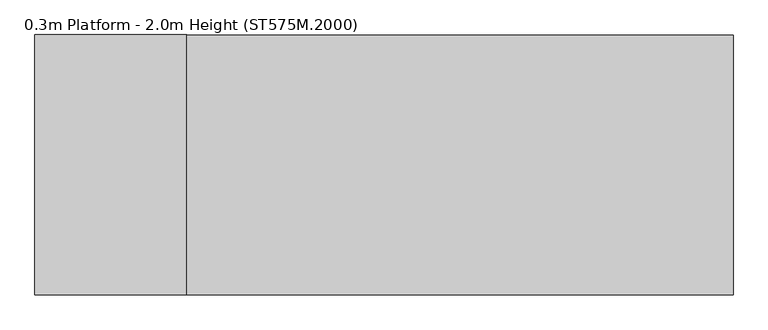
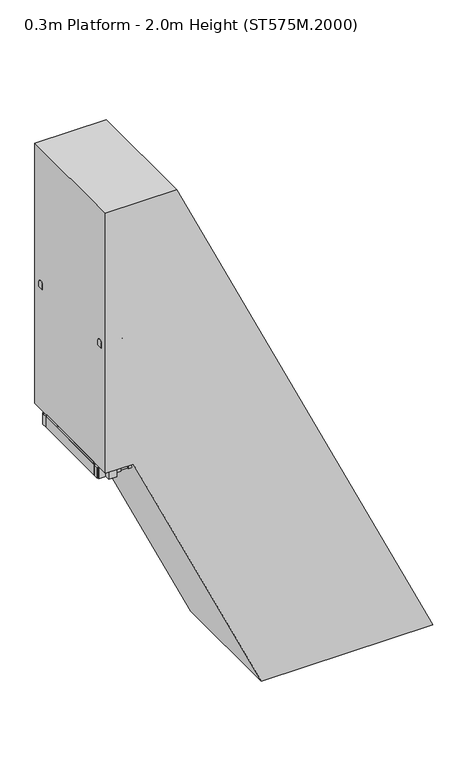
"""IFC4 building model written with IfcOpenShell, lengths in millimetres: proxy geometry, 0.3m Platform - 2.0m Height (ST575M.2000)."""

from ifc_helpers import new_model, si_unit, point, frame, frame_2d, origin, origin_with_axes, place, context, project, spatial, polyline, circle_curve, ellipse_curve, trimmed, segment, composite_curve, outline, extrude, source, transform, mapped, element, save
from ifc_brep_helpers import plane_surface, cylinder_surface, advanced_brep


def proxy_0_3m_platform_2_0m_height_st575m_2000_edd67667(model_context):
    return source(origin(), model_context, "Body", "SolidModel", [
        extrude(outline(polyline([(1750.0, 12.5766992), (1670.0, 49.8813068), (1670.0, 160.2191039), (1750.0, 122.9144913), (1750.0, 12.5766992)])), frame((0.0, 298.5, 0.0), z_axis=(0.0, 1.0, 0.0), x_axis=(0.0, 0.0, 1.0)), (0.0, 0.0, 1.0), 6.0),
        extrude(outline(polyline([(1750.0, 12.5766992), (1670.0, 49.8813068), (1670.0, 160.2191039), (1750.0, 122.9144913), (1750.0, 12.5766992)])), frame((0.0, -304.5, 0.0), z_axis=(0.0, 1.0, 0.0), x_axis=(0.0, 0.0, 1.0)), (0.0, 0.0, 1.0), 6.0),
        extrude(outline(polyline([(1750.0, 19.7486555), (1712.0999991, 37.4217138), (1712.0999991, 39.6284696), (1747.0, 23.3543341), (1747.0, 122.1066584), (1712.0999991, 138.3807961), (1712.0999991, 140.5875519), (1750.0, 122.9144913), (1750.0, 102.4867501), (1749.2749538, 102.1486555), (1750.0, 101.810561), (1750.0, 81.8867501), (1749.2749538, 81.5486555), (1750.0, 81.210561), (1750.0, 61.2867501), (1749.2749538, 60.9486555), (1750.0, 60.610561), (1750.0, 40.6867501), (1749.2749538, 40.3486555), (1750.0, 40.010561), (1750.0, 19.7486555)])), frame((0.0, -298.5, 0.0), z_axis=(0.0, 1.0, 0.0), x_axis=(0.0, 0.0, 1.0)), (0.0, 0.0, 1.0), 597.0),
        extrude(outline(polyline([(1500.0, 129.1581867), (1420.0, 166.4627943), (1420.0, 276.8005913), (1500.0, 239.4959787), (1500.0, 129.1581867)])), frame((0.0, 298.5, 0.0), z_axis=(0.0, 1.0, 0.0), x_axis=(0.0, 0.0, 1.0)), (0.0, 0.0, 1.0), 6.0),
        extrude(outline(polyline([(1500.0, 129.1581867), (1420.0, 166.4627943), (1420.0, 276.8005913), (1500.0, 239.4959787), (1500.0, 129.1581867)])), frame((0.0, -304.5, 0.0), z_axis=(0.0, 1.0, 0.0), x_axis=(0.0, 0.0, 1.0)), (0.0, 0.0, 1.0), 6.0),
        extrude(outline(polyline([(1500.0, 136.330143), (1462.0999991, 154.0032012), (1462.0999991, 156.209957), (1497.0, 139.9358215), (1497.0, 238.6881458), (1462.0999991, 254.9622835), (1462.0999991, 257.1690393), (1500.0, 239.4959787), (1500.0, 219.0682375), (1499.2749538, 218.730143), (1500.0, 218.3920484), (1500.0, 198.4682375), (1499.2749538, 198.130143), (1500.0, 197.7920484), (1500.0, 177.8682375), (1499.2749538, 177.530143), (1500.0, 177.1920484), (1500.0, 157.2682375), (1499.2749538, 156.930143), (1500.0, 156.5920484), (1500.0, 136.330143)])), frame((0.0, -298.5, 0.0), z_axis=(0.0, 1.0, 0.0), x_axis=(0.0, 0.0, 1.0)), (0.0, 0.0, 1.0), 597.0),
        extrude(outline(polyline([(1250.0, 245.7396741), (1170.0, 283.0442817), (1170.0, 393.3820788), (1250.0, 356.0774661), (1250.0, 245.7396741)])), frame((0.0, 298.5, 0.0), z_axis=(0.0, 1.0, 0.0), x_axis=(0.0, 0.0, 1.0)), (0.0, 0.0, 1.0), 6.0),
        extrude(outline(polyline([(1250.0, 245.7396741), (1170.0, 283.0442817), (1170.0, 393.3820788), (1250.0, 356.0774661), (1250.0, 245.7396741)])), frame((0.0, -304.5, 0.0), z_axis=(0.0, 1.0, 0.0), x_axis=(0.0, 0.0, 1.0)), (0.0, 0.0, 1.0), 6.0),
        extrude(outline(polyline([(1250.0, 252.9116304), (1212.0999991, 270.5846886), (1212.0999991, 272.7914444), (1247.0, 256.517309), (1247.0, 355.2696333), (1212.0999991, 371.5437709), (1212.0999991, 373.7505268), (1250.0, 356.0774661), (1250.0, 335.649725), (1249.2749538, 335.3116304), (1250.0, 334.9735358), (1250.0, 315.049725), (1249.2749538, 314.7116304), (1250.0, 314.3735358), (1250.0, 294.449725), (1249.2749538, 294.1116304), (1250.0, 293.7735358), (1250.0, 273.849725), (1249.2749538, 273.5116304), (1250.0, 273.1735358), (1250.0, 252.9116304)])), frame((0.0, -298.5, 0.0), z_axis=(0.0, 1.0, 0.0), x_axis=(0.0, 0.0, 1.0)), (0.0, 0.0, 1.0), 597.0),
        extrude(outline(polyline([(1000.0, 362.3211615), (920.0, 399.6257691), (920.0, 509.9635662), (1000.0, 472.6589535), (1000.0, 362.3211615)])), frame((0.0, 298.5, 0.0), z_axis=(0.0, 1.0, 0.0), x_axis=(0.0, 0.0, 1.0)), (0.0, 0.0, 1.0), 6.0),
        extrude(outline(polyline([(1000.0, 362.3211615), (920.0, 399.6257691), (920.0, 509.9635662), (1000.0, 472.6589535), (1000.0, 362.3211615)])), frame((0.0, -304.5, 0.0), z_axis=(0.0, 1.0, 0.0), x_axis=(0.0, 0.0, 1.0)), (0.0, 0.0, 1.0), 6.0),
        extrude(outline(polyline([(1000.0, 369.4931178), (962.0999991, 387.1661761), (962.0999991, 389.3729319), (997.0, 373.0987964), (997.0, 471.8511207), (962.0999991, 488.1252584), (962.0999991, 490.3320142), (1000.0, 472.6589535), (1000.0, 452.2312124), (999.2749538, 451.8931178), (1000.0, 451.5550233), (1000.0, 431.6312124), (999.2749538, 431.2931178), (1000.0, 430.9550233), (1000.0, 411.0312124), (999.2749538, 410.6931178), (1000.0, 410.3550233), (1000.0, 390.4312124), (999.2749538, 390.0931178), (1000.0, 389.7550233), (1000.0, 369.4931178)])), frame((0.0, -298.5, 0.0), z_axis=(0.0, 1.0, 0.0), x_axis=(0.0, 0.0, 1.0)), (0.0, 0.0, 1.0), 597.0),
        extrude(outline(polyline([(750.0, 478.902649), (670.0, 516.2072566), (670.0, 626.5450536), (750.0, 589.240441), (750.0, 478.902649)])), frame((0.0, 298.5, 0.0), z_axis=(0.0, 1.0, 0.0), x_axis=(0.0, 0.0, 1.0)), (0.0, 0.0, 1.0), 6.0),
        extrude(outline(polyline([(750.0, 478.902649), (670.0, 516.2072566), (670.0, 626.5450536), (750.0, 589.240441), (750.0, 478.902649)])), frame((0.0, -304.5, 0.0), z_axis=(0.0, 1.0, 0.0), x_axis=(0.0, 0.0, 1.0)), (0.0, 0.0, 1.0), 6.0),
        extrude(outline(polyline([(750.0, 486.0746053), (712.0999991, 503.7476635), (712.0999991, 505.9544193), (747.0, 489.6802838), (747.0, 588.4326081), (712.0999991, 604.7067458), (712.0999991, 606.9135016), (750.0, 589.240441), (750.0, 568.8126998), (749.2749538, 568.4746053), (750.0, 568.1365107), (750.0, 548.2126998), (749.2749538, 547.8746053), (750.0, 547.5365107), (750.0, 527.6126998), (749.2749538, 527.2746053), (750.0, 526.9365107), (750.0, 507.0126998), (749.2749538, 506.6746053), (750.0, 506.3365107), (750.0, 486.0746053)])), frame((0.0, -298.5, 0.0), z_axis=(0.0, 1.0, 0.0), x_axis=(0.0, 0.0, 1.0)), (0.0, 0.0, 1.0), 597.0),
        extrude(outline(polyline([(500.0, 595.4841364), (420.0, 632.788744), (420.0, 743.1265411), (500.0, 705.8219284), (500.0, 595.4841364)])), frame((0.0, 298.5, 0.0), z_axis=(0.0, 1.0, 0.0), x_axis=(0.0, 0.0, 1.0)), (0.0, 0.0, 1.0), 6.0),
        extrude(outline(polyline([(500.0, 595.4841364), (420.0, 632.788744), (420.0, 743.1265411), (500.0, 705.8219284), (500.0, 595.4841364)])), frame((0.0, -304.5, 0.0), z_axis=(0.0, 1.0, 0.0), x_axis=(0.0, 0.0, 1.0)), (0.0, 0.0, 1.0), 6.0),
        extrude(outline(polyline([(500.0, 602.6560927), (462.0999991, 620.3291509), (462.0999991, 622.5359067), (497.0, 606.2617713), (497.0, 705.0140955), (462.0999991, 721.2882332), (462.0999991, 723.494989), (500.0, 705.8219284), (500.0, 685.3941873), (499.2749538, 685.0560927), (500.0, 684.7179981), (500.0, 664.7941873), (499.2749538, 664.4560927), (500.0, 664.1179981), (500.0, 644.1941873), (499.2749538, 643.8560927), (500.0, 643.5179981), (500.0, 623.5941873), (499.2749538, 623.2560927), (500.0, 622.9179981), (500.0, 602.6560927)])), frame((0.0, -298.5, 0.0), z_axis=(0.0, 1.0, 0.0), x_axis=(0.0, 0.0, 1.0)), (0.0, 0.0, 1.0), 597.0),
        extrude(outline(polyline([(-0.0541093, 0.0), (0.7582532, 5.9447512), (185.4590013, 5.9447512), (254.8144324, -3.5328109), (254.0020699, -9.4775622), (184.6466388, 0.0), (-0.0541093, 0.0)])), frame((630.049517, 375.0, 1079.9787499), z_axis=(-0.4226302122585401, 0.0, 0.9063022143227399), x_axis=(-0.8979568675708092, -0.1353937453578063, -0.41873857918802476)), (0.0, 0.0, 1.0), 80.0),
        extrude(outline(polyline([(-0.0541093, 0.0), (0.7582532, 5.9447512), (185.4590013, 5.9447512), (254.8144324, -3.5328109), (254.0020699, -9.4775622), (184.6466388, 0.0), (-0.0541093, 0.0)])), frame((268.817945, 375.0, 1854.6156879), z_axis=(-0.4226302122585401, 0.0, 0.9063022143227399), x_axis=(-0.8979568675708092, -0.1353937453578063, -0.41873857918802476)), (0.0, 0.0, 1.0), 80.0),
        extrude(outline(polyline([(0.0, 32.0), (2.9999999, 32.0), (2.9999999, 0.0), (0.0, 0.0), (0.0, 32.0)])), frame((645.4959178, 388.0, 1054.0802317), z_axis=(-0.42263021225854003, 0.0, 0.9063022143227398), x_axis=(-0.9063022143227398, 0.0, -0.42263021225854003)), (0.0, 0.0, 1.0), 140.0),
        extrude(outline(polyline([(0.0, 32.0), (2.9999999, 32.0), (2.9999999, 0.0), (0.0, 0.0), (0.0, 32.0)])), frame((284.2643458, 388.0, 1828.7171697), z_axis=(-0.42263021225854003, 0.0, 0.9063022143227398), x_axis=(-0.9063022143227398, 0.0, -0.42263021225854003)), (0.0, 0.0, 1.0), 140.0),
        extrude(outline(composite_curve([segment(trimmed(circle_curve(frame_2d((0.0, 14.1894039)), 22.4521533), [point((-17.4, 0.0))], [point((17.4, 0.0))], False, "CARTESIAN"), True, "CONTINUOUS"), segment(polyline([(17.4, 0.0), (-17.4, 0.0)]), True, "CONTINUOUS")], self_intersect=False)), frame((717.3430539, 372.0, 900.0088553), z_axis=(-0.42263021225854003, 0.0, 0.9063022143227398), x_axis=(0.0, -1.0, 0.0)), (0.0, 0.0, 1.0), 2184.7225481),
        extrude(outline(polyline([(-0.0541093, 0.0), (184.6466389, 0.0), (254.0020699, 9.4775622), (254.8144324, 3.5328109), (185.4590014, -5.9447512), (0.7582532, -5.9447512), (-0.0541093, 0.0)])), frame((630.0484158, -375.0, 1079.9811116), z_axis=(-0.4226302122585401, 0.0, 0.9063022143227399), x_axis=(-0.8979568675708092, 0.1353937453578063, -0.41873857918802476)), (0.0, 0.0, 1.0), 80.0),
        extrude(outline(polyline([(-0.0541093, 0.0), (184.6466388, 0.0), (254.0020699, 9.4775622), (254.8144324, 3.5328109), (185.4590013, -5.9447512), (0.7582532, -5.9447512), (-0.0541093, 0.0)])), frame((268.8168438, -375.0, 1854.6180497), z_axis=(-0.4226302122585401, 0.0, 0.9063022143227399), x_axis=(-0.8979568675708092, 0.1353937453578063, -0.41873857918802476)), (0.0, 0.0, 1.0), 80.0),
        extrude(outline(polyline([(0.0, -32.0), (0.0, 0.0), (3.0, 0.0), (3.0, -32.0), (0.0, -32.0)])), frame((645.4948166, -388.0, 1054.0825935), z_axis=(-0.42263021225854003, 0.0, 0.9063022143227398), x_axis=(-0.9063022143227398, 0.0, -0.42263021225854003)), (0.0, 0.0, 1.0), 140.0),
        extrude(outline(polyline([(0.0, -32.0), (0.0, 0.0), (2.9999999, 0.0), (2.9999999, -32.0), (0.0, -32.0)])), frame((284.2632446, -388.0, 1828.7195315), z_axis=(-0.42263021225854003, 0.0, 0.9063022143227398), x_axis=(-0.9063022143227398, 0.0, -0.42263021225854003)), (0.0, 0.0, 1.0), 140.0),
        extrude(outline(composite_curve([segment(polyline([(-17.4, 0.0), (17.4, 0.0)]), True, "CONTINUOUS"), segment(trimmed(circle_curve(frame_2d((0.0, -14.1894039)), 22.4521533), [point((17.4, 0.0))], [point((-17.4, 0.0))], False, "CARTESIAN"), True, "CONTINUOUS")], self_intersect=False)), frame((717.3419527, -372.0, 900.0112171), z_axis=(-0.42263021225854003, 0.0, 0.9063022143227398), x_axis=(0.0, 1.0, 0.0)), (0.0, 0.0, 1.0), 2184.7225481),
        extrude(outline(polyline([(2000.0, -104.0047882), (1920.0, -66.7001806), (1920.0, 43.6376165), (2000.0, 6.3330038), (2000.0, -104.0047882)])), frame((0.0, 298.5, 0.0), z_axis=(0.0, 1.0, 0.0), x_axis=(0.0, 0.0, 1.0)), (0.0, 0.0, 1.0), 6.0),
        extrude(outline(polyline([(2000.0, -104.0047882), (1920.0, -66.7001806), (1920.0, 43.6376165), (2000.0, 6.3330038), (2000.0, -104.0047882)])), frame((0.0, -304.5, 0.0), z_axis=(0.0, 1.0, 0.0), x_axis=(0.0, 0.0, 1.0)), (0.0, 0.0, 1.0), 6.0),
        extrude(outline(polyline([(2000.0, -96.8328319), (1962.0999991, -79.1597736), (1962.0999991, -76.9530179), (1997.0, -93.2271533), (1997.0, 5.525171), (1962.0999991, 21.7993086), (1962.0999991, 24.0060645), (2000.0, 6.3330038), (2000.0, -14.0947373), (1999.2749538, -14.4328319), (2000.0, -14.7709265), (2000.0, -34.6947373), (1999.2749538, -35.0328319), (2000.0, -35.3709265), (2000.0, -55.2947373), (1999.2749538, -55.6328319), (2000.0, -55.9709265), (2000.0, -75.8947373), (1999.2749538, -76.2328319), (2000.0, -76.5709265), (2000.0, -96.8328319)])), frame((0.0, -298.5, 0.0), z_axis=(0.0, 1.0, 0.0), x_axis=(0.0, 0.0, 1.0)), (0.0, 0.0, 1.0), 597.0),
        extrude(outline(polyline([(250.0, 712.0656238), (170.0, 749.3702314), (170.0, 859.7080285), (250.0, 822.4034158), (250.0, 712.0656238)])), frame((0.0, 298.5, 0.0), z_axis=(0.0, 1.0, 0.0), x_axis=(0.0, 0.0, 1.0)), (0.0, 0.0, 1.0), 6.0),
        extrude(outline(polyline([(250.0, 712.0656238), (170.0, 749.3702314), (170.0, 859.7080285), (250.0, 822.4034158), (250.0, 712.0656238)])), frame((0.0, -304.5, 0.0), z_axis=(0.0, 1.0, 0.0), x_axis=(0.0, 0.0, 1.0)), (0.0, 0.0, 1.0), 6.0),
        extrude(outline(polyline([(250.0, 719.2375801), (212.0999991, 736.9106384), (212.0999991, 739.1173941), (247.0, 722.8432587), (247.0, 821.595583), (212.0999991, 837.8697206), (212.0999991, 840.0764765), (250.0, 822.4034158), (250.0, 801.9756747), (249.2749538, 801.6375801), (250.0, 801.2994855), (250.0, 781.3756747), (249.2749538, 781.0375801), (250.0, 780.6994855), (250.0, 760.7756747), (249.2749538, 760.4375801), (250.0, 760.0994855), (250.0, 740.1756747), (249.2749538, 739.8375801), (250.0, 739.4994855), (250.0, 719.2375801)])), frame((0.0, -298.5, 0.0), z_axis=(0.0, 1.0, 0.0), x_axis=(0.0, 0.0, 1.0)), (0.0, 0.0, 1.0), 597.0),
        extrude(outline(polyline([(-108.8328319, -304.5), (-146.8328319, -304.5), (-146.8328319, 304.5), (-108.8328319, 304.5), (-108.8328319, -304.5)])), frame((0.0, 0.0, 1923.0), z_axis=(0.0, 0.0, 1.0), x_axis=(1.0, 0.0, 0.0)), (0.0, 0.0, 1.0), 58.0),
        advanced_brep(
        [(-256.8328319, 372.0, 2942.0), (-256.8328319, 372.0, 2987.0), (-244.1016939, 372.0, 2942.0), (-215.4337404, 372.0, 2987.0), (-213.5569732, 372.0, 2876.4977609), (-172.773248, 372.0, 2895.5158512)],
        [
            (0, 1, circle_curve(frame((-256.8328319, 372.0, 2964.5), z_axis=(-1.0, 0.0, 0.0), x_axis=(0.0, 0.0, 1.0)), 22.5)),
            (1, 0, circle_curve(frame((-256.8328319, 372.0, 2964.5), z_axis=(-1.0, 0.0, 0.0), x_axis=(0.0, 0.0, 1.0)), 22.5)),
            (0, 2),
            (2, 3, ellipse_curve(frame((-229.7677171, 372.0, 2964.5), z_axis=(-0.8433932143582841, 0.0, 0.5372968322765371), x_axis=(-0.5372968322765376, 0.0, -0.8433932143582841)), 26.6779476, 22.5)),
            (3, 1),
            (3, 2, ellipse_curve(frame((-229.7677171, 372.0, 2964.5), z_axis=(-0.8433932143582841, 0.0, 0.5372968322765371), x_axis=(-0.5372968322765376, 0.0, -0.8433932143582841)), 26.6779476, 22.5)),
            (4, 5, circle_curve(frame((-193.1651106, 372.0, 2886.0068061), z_axis=(0.42262422805119737, 0.0, -0.9063050048764653), x_axis=(0.9063050048764653, 0.0, 0.42262422805119737)), 22.5)),
            (5, 4, circle_curve(frame((-193.1651106, 372.0, 2886.0068061), z_axis=(0.42262422805119737, 0.0, -0.9063050048764653), x_axis=(0.9063050048764653, 0.0, 0.42262422805119737)), 22.5)),
            (2, 4),
            (5, 3),
        ],
        [
            plane_surface(frame((-256.8328319, 0.0, 2987.0), z_axis=(-1.0, 0.0, 0.0), x_axis=(0.0, -1.0, 0.0))),
            cylinder_surface(frame((-256.8328319, 372.0, 2964.5), z_axis=(-1.0, 0.0, 0.0), x_axis=(0.0, 0.0, 1.0)), 22.5),
            plane_surface(frame((-172.773248, 0.0, 2895.5158512), z_axis=(0.42262422805119737, 0.0, -0.9063050048764651), x_axis=(0.0, -1.0, 0.0))),
            cylinder_surface(frame((-235.825603, 372.0, 2977.4909549), z_axis=(-0.42262422805119737, 0.0, 0.9063050048764653), x_axis=(0.9063050048764653, 0.0, 0.42262422805119737)), 22.5),
        ],
        [
            (0, [[1, 2]]),
            (1, [[-1, 3, 4, 5]]),
            (1, [[-2, -5, 6, -3]]),
            (2, [[7, 8]]),
            (3, [[-4, 9, -8, 10]]),
            (3, [[-6, -10, -7, -9]]),
        ],
    ),
        advanced_brep(
        [(-256.8328319, -372.0, 2942.0), (-256.8328319, -372.0, 2987.0), (-244.1016939, -372.0, 2942.0), (-215.4337404, -372.0, 2987.0), (-213.5569732, -372.0, 2876.4977609), (-172.773248, -372.0, 2895.5158512)],
        [
            (0, 1, circle_curve(frame((-256.8328319, -372.0, 2964.5), z_axis=(-1.0, 0.0, 0.0), x_axis=(0.0, 0.0, 1.0)), 22.5)),
            (1, 0, circle_curve(frame((-256.8328319, -372.0, 2964.5), z_axis=(-1.0, 0.0, 0.0), x_axis=(0.0, 0.0, 1.0)), 22.5)),
            (0, 2),
            (2, 3, ellipse_curve(frame((-229.7677171, -372.0, 2964.5), z_axis=(-0.8433932143582841, 0.0, 0.5372968322765371), x_axis=(-0.5372968322765376, 0.0, -0.8433932143582841)), 26.6779476, 22.5)),
            (3, 1),
            (3, 2, ellipse_curve(frame((-229.7677171, -372.0, 2964.5), z_axis=(-0.8433932143582841, 0.0, 0.5372968322765371), x_axis=(-0.5372968322765376, 0.0, -0.8433932143582841)), 26.6779476, 22.5)),
            (4, 5, circle_curve(frame((-193.1651106, -372.0, 2886.0068061), z_axis=(0.42262422805119737, 0.0, -0.9063050048764653), x_axis=(0.9063050048764653, 0.0, 0.42262422805119737)), 22.5)),
            (5, 4, circle_curve(frame((-193.1651106, -372.0, 2886.0068061), z_axis=(0.42262422805119737, 0.0, -0.9063050048764653), x_axis=(0.9063050048764653, 0.0, 0.42262422805119737)), 22.5)),
            (2, 4),
            (5, 3),
        ],
        [
            plane_surface(frame((-256.8328319, 0.0, 2987.0), z_axis=(-1.0, 0.0, 0.0), x_axis=(0.0, -1.0, 0.0))),
            cylinder_surface(frame((-256.8328319, -372.0, 2964.5), z_axis=(-1.0, 0.0, 0.0), x_axis=(0.0, 0.0, 1.0)), 22.5),
            plane_surface(frame((-172.773248, 0.0, 2895.5158512), z_axis=(0.42262422805119737, 0.0, -0.9063050048764651), x_axis=(0.0, -1.0, 0.0))),
            cylinder_surface(frame((-235.825603, -372.0, 2977.4909549), z_axis=(-0.42262422805119737, 0.0, 0.9063050048764653), x_axis=(0.9063050048764653, 0.0, 0.42262422805119737)), 22.5),
        ],
        [
            (0, [[1, 2]]),
            (1, [[-1, 3, 4, 5]]),
            (1, [[-2, -5, 6, -3]]),
            (2, [[7, 8]]),
            (3, [[-4, 9, -8, 10]]),
            (3, [[-6, -10, -7, -9]]),
        ],
    ),
        extrude(outline(polyline([(-390.8328319, -304.5), (-396.8328319, -304.5), (-396.8328319, 304.5), (-390.8328319, 304.5), (-390.8328319, -304.5)])), frame((0.0, 0.0, 1901.0), z_axis=(0.0, 0.0, 1.0), x_axis=(1.0, 0.0, 0.0)), (0.0, 0.0, 1.0), 80.0),
        extrude(outline(composite_curve([segment(polyline([(349.5, 2930.0), (349.5, 2964.5)]), True, "CONTINUOUS"), segment(trimmed(circle_curve(frame_2d((372.0, 2964.5)), 22.5), [point((349.5, 2964.5))], [point((394.5, 2964.5))], False, "CARTESIAN"), True, "CONTINUOUS"), segment(polyline([(394.5, 2964.5), (394.5, 2930.0), (349.5, 2930.0)]), True, "CONTINUOUS")], self_intersect=False)), frame((-396.8328319, 0.0, 0.0), z_axis=(1.0, 0.0, 0.0), x_axis=(0.0, 1.0, 0.0)), (0.0, 0.0, 1.0), 140.0),
        extrude(outline(composite_curve([segment(polyline([(-349.5, 2930.0), (-394.5, 2930.0), (-394.5, 2964.5)]), True, "CONTINUOUS"), segment(trimmed(circle_curve(frame_2d((-372.0, 2964.5)), 22.5), [point((-394.5, 2964.5))], [point((-349.5, 2964.5))], False, "CARTESIAN"), True, "CONTINUOUS"), segment(polyline([(-349.5, 2964.5), (-349.5, 2930.0)]), True, "CONTINUOUS")], self_intersect=False)), frame((-396.8328319, 0.0, 0.0), z_axis=(1.0, 0.0, 0.0), x_axis=(0.0, 1.0, 0.0)), (0.0, 0.0, 1.0), 140.0),
        extrude(outline(polyline([(-232.8328319, 353.0), (-232.8328319, 343.0), (-392.8328319, 343.0), (-392.8328319, 353.0), (-232.8328319, 353.0)])), frame((0.0, 0.0, 1901.0), z_axis=(0.0, 0.0, 1.0), x_axis=(1.0, 0.0, 0.0)), (0.0, 0.0, 1.0), 80.0),
        extrude(outline(polyline([(-232.8328319, -343.0), (-232.8328319, -353.0), (-392.8328319, -353.0), (-392.8328319, -343.0), (-232.8328319, -343.0)])), frame((0.0, 0.0, 1901.0), z_axis=(0.0, 0.0, 1.0), x_axis=(1.0, 0.0, 0.0)), (0.0, 0.0, 1.0), 80.0),
        extrude(outline(polyline([(-283.8328319, 391.0), (-283.8328319, 353.0), (-341.8328319, 353.0), (-341.8328319, 391.0), (-283.8328319, 391.0)])), frame((0.0, 0.0, 1901.0), z_axis=(0.0, 0.0, 1.0), x_axis=(1.0, 0.0, 0.0)), (0.0, 0.0, 1.0), 1029.0),
        extrude(outline(polyline([(-283.8328319, -353.0), (-283.8328319, -391.0), (-341.8328319, -391.0), (-341.8328319, -353.0), (-283.8328319, -353.0)])), frame((0.0, 0.0, 1901.0), z_axis=(0.0, 0.0, 1.0), x_axis=(1.0, 0.0, 0.0)), (0.0, 0.0, 1.0), 1029.0),
        extrude(outline(polyline([(-96.8328319, 343.0), (-96.8328319, 304.5), (-396.8328319, 304.5), (-396.8328319, 343.0), (-96.8328319, 343.0)])), frame((0.0, 0.0, 1901.0), z_axis=(0.0, 0.0, 1.0), x_axis=(1.0, 0.0, 0.0)), (0.0, 0.0, 1.0), 80.0),
        extrude(outline(polyline([(-96.8328319, -304.5), (-96.8328319, -343.0), (-396.8328319, -343.0), (-396.8328319, -304.5), (-96.8328319, -304.5)])), frame((0.0, 0.0, 1901.0), z_axis=(0.0, 0.0, 1.0), x_axis=(1.0, 0.0, 0.0)), (0.0, 0.0, 1.0), 80.0),
        extrude(outline(polyline([(-99.8328319, 297.5), (-99.8328319, -297.5), (-393.8328319, -297.5), (-393.8328319, 297.5), (-99.8328319, 297.5)])), frame((0.0, 0.0, 1984.0), z_axis=(0.0, 0.0, 1.0), x_axis=(1.0, 0.0, 0.0)), (0.0, 0.0, 1.0), 13.0),
        extrude(outline(polyline([(2000.0, -114.8328319), (1997.0, -114.8328319), (1997.0, -99.8328319), (1984.0, -99.8328319), (1984.0, -114.8328319), (1981.0, -114.8328319), (1981.0, -96.8328319), (2000.0, -96.8328319), (2000.0, -114.8328319)])), frame((0.0, -297.5, 0.0), z_axis=(0.0, 1.0, 0.0), x_axis=(0.0, 0.0, 1.0)), (0.0, 0.0, 1.0), 595.0),
        extrude(outline(polyline([(2000.0, -378.8328319), (2000.0, -396.8328319), (1981.0, -396.8328319), (1981.0, -378.8328319), (1984.0, -378.8328319), (1984.0, -393.8328319), (1997.0, -393.8328319), (1997.0, -378.8328319), (2000.0, -378.8328319)])), frame((0.0, -297.5, 0.0), z_axis=(0.0, 1.0, 0.0), x_axis=(0.0, 0.0, 1.0)), (0.0, 0.0, 1.0), 595.0),
        extrude(outline(polyline([(1981.0, 12.859157), (1981.0, -176.8328319), (1901.0, -176.8328319), (1901.0, 50.1637697), (1981.0, 12.859157)])), frame((0.0, 344.0, 0.0), z_axis=(0.0, 1.0, 0.0), x_axis=(0.0, 0.0, 1.0)), (0.0, 0.0, 1.0), 6.0),
        extrude(outline(polyline([(1981.0, 15.2248596), (1981.0, -176.8328319), (1901.0, -176.8328319), (1901.0, 52.5294722), (1981.0, 15.2248596)])), frame((0.0, -350.0, 0.0), z_axis=(0.0, 1.0, 0.0), x_axis=(0.0, 0.0, 1.0)), (0.0, 0.0, 1.0), 6.0),
        extrude(outline(polyline([(-304.5, 80.0), (-304.5, 0.0), (-343.0, 0.0), (-343.0, 80.0), (-304.5, 80.0)])), frame((847.9122509, 0.0, 6.0), z_axis=(-0.4226182617406976, 0.0, 0.9063077870366508), x_axis=(0.0, -1.0, 0.0)), (0.0, 0.0, 1.0), 2200.1355704),
        extrude(outline(polyline([(343.0, 80.0), (343.0, 0.0), (304.5, 0.0), (304.5, 80.0), (343.0, 80.0)])), frame((847.9122509, 0.0, 6.0), z_axis=(-0.4226182617406976, 0.0, 0.9063077870366508), x_axis=(0.0, -1.0, 0.0)), (0.0, 0.0, 1.0), 2200.1355704),
        extrude(outline(polyline([(141.9461681, 872.7897452), (108.1367071, 800.2851222), (6.0, 847.9122509), (6.0, 936.1824844), (141.9461681, 872.7897452)])), frame((0.0, 344.0, 0.0), z_axis=(0.0, 1.0, 0.0), x_axis=(0.0, 0.0, 1.0)), (0.0, 0.0, 1.0), 6.0),
        extrude(outline(polyline([(141.9461681, 872.7897452), (108.1367071, 800.2851222), (6.0, 847.9122509), (6.0, 936.1824844), (141.9461681, 872.7897452)])), frame((0.0, -350.0, 0.0), z_axis=(0.0, 1.0, 0.0), x_axis=(0.0, 0.0, 1.0)), (0.0, 0.0, 1.0), 6.0),
        extrude(outline(polyline([(942.0824844, 358.0), (942.0824844, -358.0), (842.0824844, -358.0), (842.0824844, 358.0), (942.0824844, 358.0)])), origin_with_axes(), (0.0, 0.0, 1.0), 6.0),
        extrude(outline(polyline([(2000.0, -193.6660078), (0.0, 738.9814151), (0.0, 1987.1964377), (4000.0, 121.901592), (4000.0, -396.8328319), (2000.0, -396.8328319), (2000.0, -193.6660078)])), frame((0.0, -444.5, 0.0), z_axis=(0.0, 1.0, 0.0), x_axis=(0.0, 0.0, 1.0)), (0.0, 0.0, 1.0), 889.0),
    ])


if __name__ == "__main__":
    model = new_model("IFC4")
    model_context = context("Model", 3, world=origin())
    ifc_project = project(units=[si_unit("LENGTHUNIT", "METRE", prefix="MILLI")], contexts=[model_context])
    site = spatial("IfcSite", under=ifc_project)
    building = spatial("IfcBuilding", under=site)
    placement = place(None, origin())
    proxy_0_3m_platform_2_0m_height_st575m_2000_shape = proxy_0_3m_platform_2_0m_height_st575m_2000_edd67667(model_context)
    element("IfcBuildingElementProxy", 1, Name="0.3m Platform - 2.0m Height (ST575M.2000)", ObjectType="0.3m Platform - 2.0m Height (ST575M.2000)", at=placement, inside=building, context=model_context, shape_type="MappedRepresentation", body=[
        mapped(proxy_0_3m_platform_2_0m_height_st575m_2000_shape, transform((0.0, 0.0, 0.0), x_axis=(1.0, 0.0, 0.0), y_axis=(0.0, 1.0, 0.0), z_axis=(0.0, 0.0, 1.0))),
    ])
    save(model, "model.ifc")
